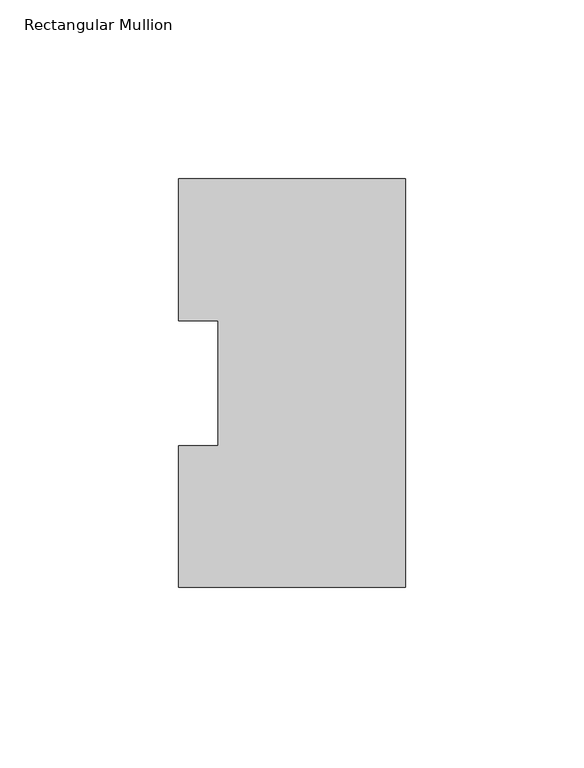
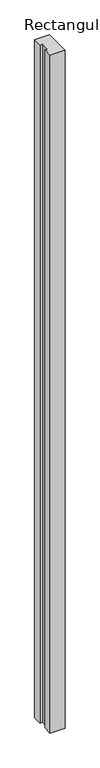
"""IFC4 building model written with IfcOpenShell, lengths in millimetres: member geometry, Rectangular Mullion."""

from ifc_helpers import new_model, si_unit, frame, origin, place, context, project, spatial, polyline, outline, extrude, source, transform, mapped, element, save


def rectangular_mullion_515b042a(model_context):
    return source(origin(), model_context, "Body", "SweptSolid", [
        extrude(outline(polyline([(-63.5, 114.271425), (0.0, 114.271425), (0.0, -0.028575), (-63.5, -0.028575), (-63.5, 39.646225), (-52.3875, 39.646225), (-52.3875, 74.596625), (-63.5, 74.596625), (-63.5, 114.271425)])), frame((0.0, 0.0, -3048.0), z_axis=(0.0, 0.0, 1.0), x_axis=(1.0, 0.0, 0.0)), (0.0, 0.0, 1.0), 3048.0),
    ])


if __name__ == "__main__":
    model = new_model("IFC4")
    model_context = context("Model", 3, world=origin())
    ifc_project = project(units=[si_unit("LENGTHUNIT", "METRE", prefix="MILLI")], contexts=[model_context])
    site = spatial("IfcSite", under=ifc_project)
    building = spatial("IfcBuilding", under=site)
    placement = place(None, origin())
    rectangular_mullion_shape = rectangular_mullion_515b042a(model_context)
    element("IfcMember", 1, ObjectType="Rectangular Mullion", at=placement, inside=building, context=model_context, shape_type="MappedRepresentation", body=[
        mapped(rectangular_mullion_shape, transform((0.0, 0.0, 0.0), x_axis=(1.0, 0.0, 0.0), y_axis=(0.0, 1.0, 0.0), z_axis=(0.0, 0.0, 1.0))),
    ])
    save(model, "model.ifc")
